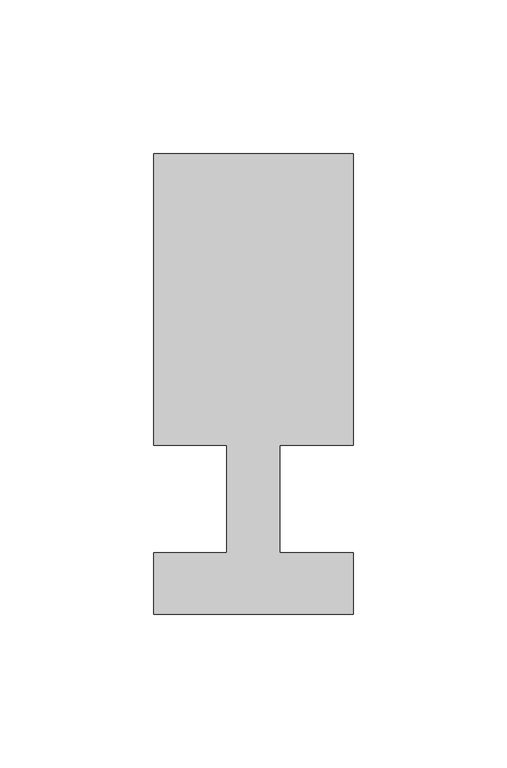
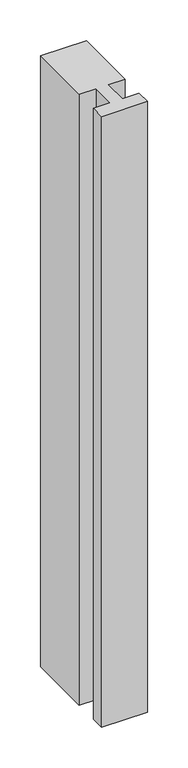
"""IFC4 building model written with IfcOpenShell, lengths in millimetres: member geometry."""

from ifc_helpers import new_model, si_unit, frame, origin, place, context, project, spatial, polyline, outline, extrude, source, transform, mapped, element, save


def member_2b08955c(model_context):
    return source(origin(), model_context, "Body", "SweptSolid", [
        extrude(outline(polyline([(-65.0, -37.0), (-65.0, -17.0), (-41.1875, -17.0), (-41.1875, 18.0), (-65.0, 18.0), (-65.0, 113.0), (0.0, 113.0), (0.0, 18.0), (-23.8125, 18.0), (-23.8125, -17.0), (0.0, -17.0), (0.0, -37.0), (-65.0, -37.0)])), frame((0.0, 0.0, -916.1875), z_axis=(0.0, 0.0, 1.0), x_axis=(1.0, 0.0, 0.0)), (0.0, 0.0, 1.0), 916.1875),
    ])


if __name__ == "__main__":
    model = new_model("IFC4")
    model_context = context("Model", 3, world=origin())
    ifc_project = project(units=[si_unit("LENGTHUNIT", "METRE", prefix="MILLI")], contexts=[model_context])
    site = spatial("IfcSite", under=ifc_project)
    building = spatial("IfcBuilding", under=site)
    placement = place(None, origin())
    member_shape = member_2b08955c(model_context)
    element("IfcMember", 1, at=placement, inside=building, context=model_context, shape_type="MappedRepresentation", body=[
        mapped(member_shape, transform((0.0, 0.0, 0.0), x_axis=(1.0, 0.0, 0.0), y_axis=(0.0, 1.0, 0.0), z_axis=(0.0, 0.0, 1.0))),
    ])
    save(model, "model.ifc")
